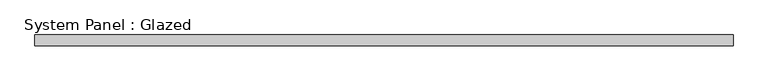
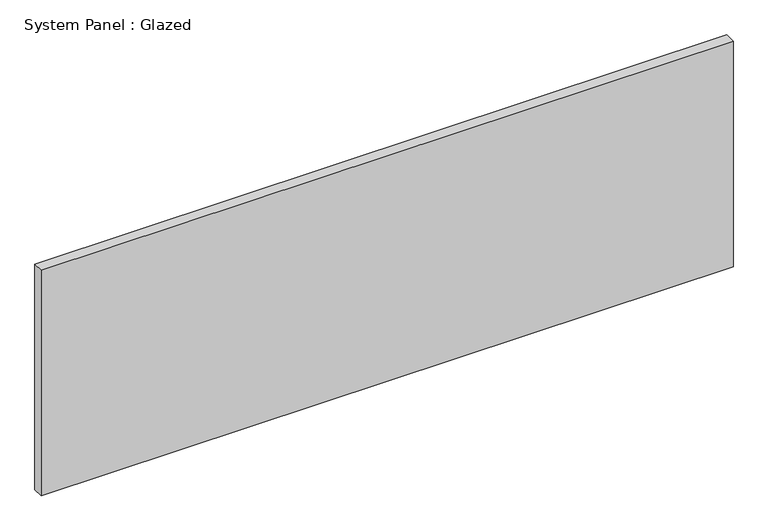
"""IFC4 building model written with IfcOpenShell, lengths in millimetres: plate geometry, System Panel : Glazed."""

import ifcopenshell
import ifcopenshell.guid

model = None  # the IFC model being written
_history = None  # IfcOwnerHistory: only IFC2X3 demands one
_inside = {}  # id of a spatial element -> (the spatial element, [elements in it])
_under = {}  # id of a project, library or spatial element -> (it, [spatial elements below it])
_declared = {}  # id of a project -> (the project, [libraries it declares])
_typed = {}  # id of a type object -> (the type object, [elements of that type])
_made_of = {}  # id of a material, layer set ... -> (it, [elements and type objects made of it])


def new_model(schema):
    """Start an empty IFC model of exactly this schema.

    Asked for "IFC4X3", IfcOpenShell would pick the latest addendum, in which some entities
    have other attributes; the version numbers below select the first issue.
    IFC2X3 requires an IfcOwnerHistory on every rooted entity: one is made here for all.
    """
    global model, _history
    if schema == "IFC4X3":
        model = ifcopenshell.file(schema_version=(4, 3, 0, 0))
    else:
        model = ifcopenshell.file(schema=schema)
    _inside.clear()
    _under.clear()
    _declared.clear()
    _typed.clear()
    _made_of.clear()
    _history = None
    if model.schema == "IFC2X3":
        org = make("IfcOrganization", Name="unknown")
        user = make(
            "IfcPersonAndOrganization",
            ThePerson=make("IfcPerson", FamilyName="unknown"),
            TheOrganization=org,
        )
        app = make(
            "IfcApplication",
            ApplicationDeveloper=org,
            Version="unknown",
            ApplicationFullName="unknown",
            ApplicationIdentifier="unknown",
        )
        _history = make(
            "IfcOwnerHistory",
            OwningUser=user,
            OwningApplication=app,
            ChangeAction="ADDED",
            CreationDate=0,
        )
    return model


def make(cls, **values):
    """One entity of the class cls with the attributes given. An attribute that is None is left unset."""
    return model.create_entity(
        cls, **{name: value for name, value in values.items() if value is not None}
    )


def rooted(cls, **values):
    """An entity with a GlobalId (a new one), such as an element, a storey or a relation."""
    return make(cls, GlobalId=ifcopenshell.guid.new(), OwnerHistory=_history, **values)


def si_unit(unit_type, name, prefix=None):
    """IfcSIUnit, for example si_unit("LENGTHUNIT", "METRE", prefix="MILLI")."""
    return make("IfcSIUnit", UnitType=unit_type, Prefix=prefix, Name=name)


def assignment(units):
    """IfcUnitAssignment: the units of a project."""
    return None if units is None else make("IfcUnitAssignment", Units=units)


def point(xyz):
    """IfcCartesianPoint."""
    return None if xyz is None else make("IfcCartesianPoint", Coordinates=xyz)


def direction(xyz):
    """IfcDirection."""
    return None if xyz is None else make("IfcDirection", DirectionRatios=xyz)


def frame(location, z_axis=None, x_axis=None):
    """IfcAxis2Placement3D, a coordinate frame: its origin and axes. An axis left out is left unset."""
    return make(
        "IfcAxis2Placement3D",
        Location=point(location),
        Axis=direction(z_axis),
        RefDirection=direction(x_axis),
    )


def origin():
    """The frame at (0, 0, 0) with its axes left unset."""
    return frame((0.0, 0.0, 0.0))


def origin_with_axes():
    """The frame at (0, 0, 0) with the z axis (0, 0, 1) and the x axis (1, 0, 0) written out."""
    return frame((0.0, 0.0, 0.0), z_axis=(0.0, 0.0, 1.0), x_axis=(1.0, 0.0, 0.0))


def place(relative_to, where):
    """IfcLocalPlacement: puts the frame where relative to a parent placement (None: the world)."""
    return make(
        "IfcLocalPlacement", PlacementRelTo=relative_to, RelativePlacement=where
    )


def context(
    kind, dimensions, precision=None, world=None, true_north=None, identifier=None
):
    """IfcGeometricRepresentationContext, for example the 3D "Model" context."""
    return make(
        "IfcGeometricRepresentationContext",
        ContextIdentifier=identifier,
        ContextType=kind,
        CoordinateSpaceDimension=dimensions,
        Precision=precision,
        WorldCoordinateSystem=world,
        TrueNorth=true_north,
    )


def project(units=None, contexts=None):
    """IfcProject with its units and contexts."""
    return rooted(
        "IfcProject",
        Name="project",
        RepresentationContexts=contexts,
        UnitsInContext=assignment(units),
    )


def spatial(cls, under=None, at=None, **own):
    """A site, building, storey or space (cls), placed at a placement, below another one or the project."""
    s = rooted(cls, ObjectPlacement=at, **own)
    if under is not None:
        _under.setdefault(under.id(), (under, []))[1].append(s)
    return s


def polyline(points):
    """IfcPolyline through the points."""
    return make("IfcPolyline", Points=[point(p) for p in points])


def outline(outer, holes=None, kind="AREA"):
    """IfcArbitraryClosedProfileDef: a profile drawn as a closed curve; with holes, ...WithVoids."""
    if holes is None:
        return make("IfcArbitraryClosedProfileDef", ProfileType=kind, OuterCurve=outer)
    return make(
        "IfcArbitraryProfileDefWithVoids",
        ProfileType=kind,
        OuterCurve=outer,
        InnerCurves=holes,
    )


def extrude(swept, where, along, depth):
    """IfcExtrudedAreaSolid: the profile swept, set in the frame where, extruded along a direction by depth."""
    return make(
        "IfcExtrudedAreaSolid",
        SweptArea=swept,
        Position=where,
        ExtrudedDirection=direction(along),
        Depth=depth,
    )


def shape(context_of_items, identifier, shape_type, items):
    """IfcShapeRepresentation: the items that make up one representation, for example the "Body"."""
    return make(
        "IfcShapeRepresentation",
        ContextOfItems=context_of_items,
        RepresentationIdentifier=identifier,
        RepresentationType=shape_type,
        Items=items,
    )


def source(mapping_origin, context_of_items, identifier, shape_type, items):
    """IfcRepresentationMap: a shape defined once, which mapped items show again and again."""
    return make(
        "IfcRepresentationMap",
        MappingOrigin=mapping_origin,
        MappedRepresentation=shape(context_of_items, identifier, shape_type, items),
    )


def transform(
    local_origin,
    x_axis=None,
    y_axis=None,
    z_axis=None,
    scale=None,
    scale2=None,
    scale3=None,
    uniform=True,
):
    """IfcCartesianTransformationOperator3D, or its non-uniform kind. x_axis, y_axis, z_axis: its Axis1, 2, 3."""
    if uniform:
        return make(
            "IfcCartesianTransformationOperator3D",
            Axis1=direction(x_axis),
            Axis2=direction(y_axis),
            LocalOrigin=point(local_origin),
            Scale=scale,
            Axis3=direction(z_axis),
        )
    return make(
        "IfcCartesianTransformationOperator3DnonUniform",
        Axis1=direction(x_axis),
        Axis2=direction(y_axis),
        LocalOrigin=point(local_origin),
        Scale=scale,
        Axis3=direction(z_axis),
        Scale2=scale2,
        Scale3=scale3,
    )


def mapped(mapping_source, mapping_target):
    """IfcMappedItem: shows the shape of a source again, moved by a transform."""
    return make(
        "IfcMappedItem", MappingSource=mapping_source, MappingTarget=mapping_target
    )


def made_of(thing, what):
    """Note that an element or type object is made of a material, layer set ...; save() writes the relation."""
    if what is not None:
        _made_of.setdefault(what.id(), (what, []))[1].append(thing)
    return thing


def element(
    cls,
    number,
    at=None,
    inside=None,
    cuts=None,
    type_object=None,
    material=None,
    context=None,
    identifier="Body",
    shape_type=None,
    held_by="IfcProductDefinitionShape",
    body=None,
    shapes=None,
    **own,
):
    """One element of the class cls, such as IfcWall. Its Tag is "e" and its number.

    at: its placement. inside: the storey or other place that contains it. cuts: it is an
    opening in that element (IfcRelVoidsElement). A single representation is given by context,
    identifier, shape_type and body (its items); several are given by shapes. held_by: the class
    of the entity that holds the representations. save() writes the other relations.
    """
    e = rooted(cls, Tag="e%d" % number, ObjectPlacement=at, **own)
    if body is not None:
        shapes = [shape(context, identifier, shape_type, body)]
    if shapes is not None:
        e.Representation = make(held_by, Representations=shapes)
    if inside is not None:
        _inside.setdefault(inside.id(), (inside, []))[1].append(e)
    if cuts is not None:
        rooted(
            "IfcRelVoidsElement", RelatingBuildingElement=cuts, RelatedOpeningElement=e
        )
    if type_object is not None:
        _typed.setdefault(type_object.id(), (type_object, []))[1].append(e)
    return made_of(e, material)


def aggregate(whole, parts):
    """IfcRelAggregates: a whole, such as a stair, and the parts it consists of."""
    return rooted("IfcRelAggregates", RelatingObject=whole, RelatedObjects=parts)


def save(model, path):
    """Write the relations noted so far, then the file.

    IfcRelAggregates (storeys below a building ...), IfcRelContainedInSpatialStructure (elements
    in a storey), IfcRelDefinesByType, IfcRelAssociatesMaterial and IfcRelDeclares: one each for
    every whole, place, type object, material and project.
    """
    for whole, parts in _under.values():
        aggregate(whole, parts)
    for where, things in _inside.values():
        rooted(
            "IfcRelContainedInSpatialStructure",
            RelatedElements=things,
            RelatingStructure=where,
        )
    for kind, things in _typed.values():
        rooted("IfcRelDefinesByType", RelatedObjects=things, RelatingType=kind)
    for what, things in _made_of.values():
        rooted("IfcRelAssociatesMaterial", RelatedObjects=things, RelatingMaterial=what)
    for by, libraries in _declared.values():
        rooted("IfcRelDeclares", RelatingContext=by, RelatedDefinitions=libraries)
    model.write(path)


def system_panel_glazed_4378df62(model_context):
    return source(origin(), model_context, "Body", "SweptSolid", [
        extrude(outline(polyline([(809.1455333, 24.5), (-809.1455333, 24.5), (-809.1455333, 49.5), (809.1455333, 49.5), (809.1455333, 24.5)])), origin_with_axes(), (0.0, 0.0, 1.0), 557.4833333),
    ])


if __name__ == "__main__":
    model = new_model("IFC4")
    model_context = context("Model", 3, world=origin())
    ifc_project = project(units=[si_unit("LENGTHUNIT", "METRE", prefix="MILLI")], contexts=[model_context])
    site = spatial("IfcSite", under=ifc_project)
    building = spatial("IfcBuilding", under=site)
    placement = place(None, origin())
    system_panel_glazed_shape = system_panel_glazed_4378df62(model_context)
    element("IfcPlate", 1, ObjectType="System Panel : Glazed", at=placement, inside=building, context=model_context, shape_type="MappedRepresentation", body=[
        mapped(system_panel_glazed_shape, transform((0.0, 0.0, 0.0), x_axis=(1.0, 0.0, 0.0), y_axis=(0.0, 1.0, 0.0), z_axis=(0.0, 0.0, 1.0))),
    ])
    save(model, "model.ifc")
